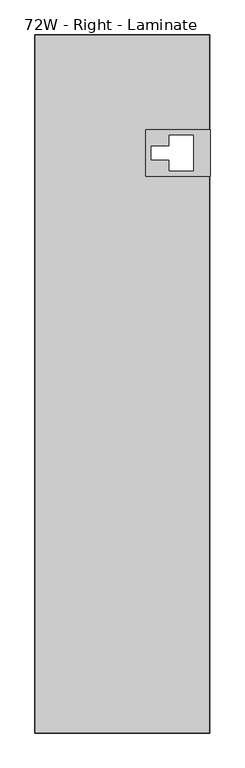
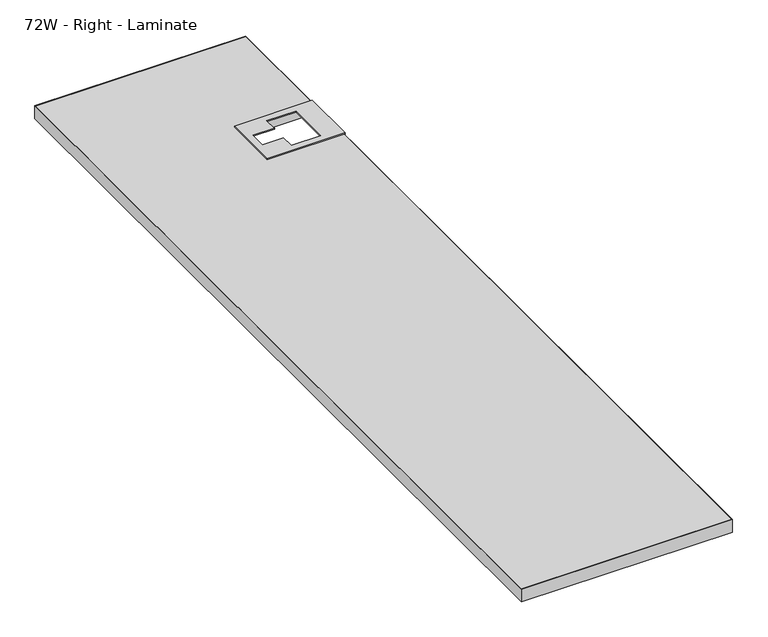
"""IFC4 building model written with IfcOpenShell, lengths in millimetres: furniture geometry, 72W - Right - Laminate."""

from ifc_helpers import new_model, si_unit, frame, origin, place, context, project, spatial, polyline, outline, extrude, faceted_brep, source, transform, mapped, element, save


def furniture_72w_right_laminate_796a1e65(model_context):
    return source(origin(), model_context, "Body", "SolidModel", [
        faceted_brep([(4273.6154005, -245.9624873, 409.5798689), (4273.6154005, -245.9624873, 411.9798677), (4442.4881456, -245.9624873, 411.9798677), (4442.4881456, -245.9624873, 379.8896753), (4441.4721456, -245.9624873, 379.8896753), (4441.4721456, -245.9624873, 409.5798689), (4273.6154005, -368.6703371, 409.5798689), (4441.4721456, -368.6703371, 409.5798689), (4441.4721456, -368.6703371, 379.8896753), (4442.4881456, -368.6703371, 379.8896753), (4442.4881456, -368.6703371, 411.9798677), (4273.6154005, -368.6703371, 411.9798677), (4289.0721456, -289.7887093, 411.9798677), (4335.302754, -289.7887093, 411.9798677), (4335.302754, -261.051292, 411.9798677), (4398.802754, -261.051292, 411.9798677), (4398.802754, -353.5482623, 411.9798677), (4335.302754, -353.5482623, 411.9798677), (4335.302754, -324.8929323, 411.9798677), (4289.0721456, -324.8929323, 411.9798677), (4335.302754, -289.7887093, 409.5798689), (4289.0721456, -289.7887093, 409.5798689), (4289.0721456, -324.8929323, 409.5798689), (4335.302754, -324.8929323, 409.5798689), (4335.302754, -353.5482623, 409.5798689), (4398.802754, -353.5482623, 409.5798689), (4398.802754, -261.051292, 409.5798689), (4335.302754, -261.051292, 409.5798689)], [[[0, 1, 2, 3, 4, 5]], [[6, 7, 8, 9, 10, 11]], [[1, 0, 6, 11]], [[2, 1, 11, 10], [12, 13, 14, 15, 16, 17, 18, 19]], [[3, 2, 10, 9]], [[4, 3, 9, 8]], [[5, 4, 8, 7]], [[0, 5, 7, 6], [20, 21, 22, 23, 24, 25, 26, 27]], [[20, 13, 12, 21]], [[13, 20, 27, 14]], [[14, 27, 26, 15]], [[15, 26, 25, 16]], [[16, 25, 24, 17]], [[17, 24, 23, 18]], [[18, 23, 22, 19]], [[21, 12, 19, 22]]]),
        extrude(outline(polyline([(4440.4799581, -1825.9040208), (3984.6690206, -1825.9040208), (3984.6690206, 0.9116042), (4440.4799581, 0.9116042), (4440.4799581, -245.9624873), (4273.6154005, -245.9624873), (4273.6154005, -368.6703371), (4440.4799581, -368.6703371), (4440.4799581, -1825.9040208)])), frame((0.0, 0.0, 379.8896753), z_axis=(0.0, 0.0, 1.0), x_axis=(1.0, 0.0, 0.0)), (0.0, 0.0, 1.0), 29.6901936),
        extrude(outline(polyline([(4441.4721456, 1.9276042), (4441.4721456, -1826.8723958), (3983.6768331, -1826.8723958), (3983.6768331, 1.9276042), (4441.4721456, 1.9276042)]), holes=[polyline([(3984.6690206, -1825.9040208), (4440.4799581, -1825.9040208), (4440.4799581, 0.9116042), (3984.6690206, 0.9116042), (3984.6690206, -1825.9040208)])]), frame((0.0, 0.0, 379.8896753), z_axis=(0.0, 0.0, 1.0), x_axis=(1.0, 0.0, 0.0)), (0.0, 0.0, 1.0), 29.6901936),
    ])


if __name__ == "__main__":
    model = new_model("IFC4")
    model_context = context("Model", 3, world=origin())
    ifc_project = project(units=[si_unit("LENGTHUNIT", "METRE", prefix="MILLI")], contexts=[model_context])
    site = spatial("IfcSite", under=ifc_project)
    building = spatial("IfcBuilding", under=site)
    placement = place(None, origin())
    furniture_72w_right_laminate_shape = furniture_72w_right_laminate_796a1e65(model_context)
    element("IfcFurniture", 1, ObjectType="72W - Right - Laminate", at=placement, inside=building, context=model_context, shape_type="MappedRepresentation", body=[
        mapped(furniture_72w_right_laminate_shape, transform((0.0, 0.0, 0.0), x_axis=(1.0, 0.0, 0.0), y_axis=(0.0, 1.0, 0.0), z_axis=(0.0, 0.0, 1.0))),
    ])
    save(model, "model.ifc")
